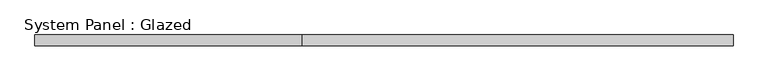
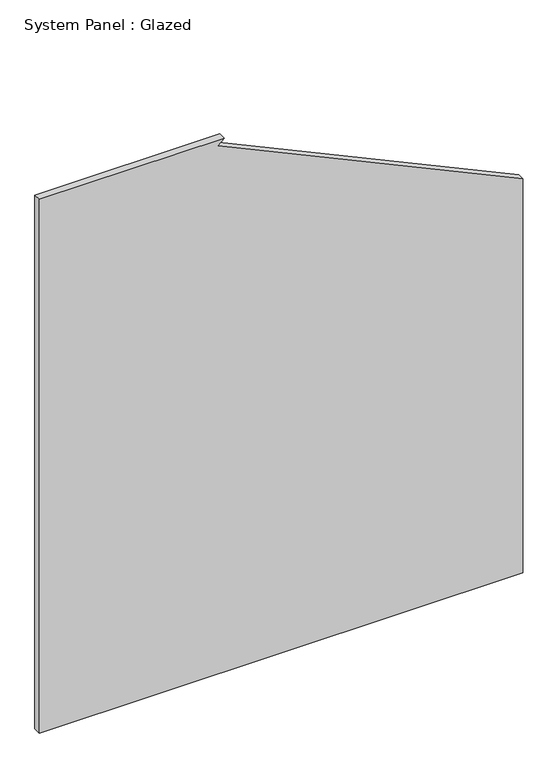
"""IFC4 building model written with IfcOpenShell, lengths in millimetres: plate geometry, System Panel : Glazed."""

import ifcopenshell
import ifcopenshell.guid

model = None  # the IFC model being written
_history = None  # IfcOwnerHistory: only IFC2X3 demands one
_inside = {}  # id of a spatial element -> (the spatial element, [elements in it])
_under = {}  # id of a project, library or spatial element -> (it, [spatial elements below it])
_declared = {}  # id of a project -> (the project, [libraries it declares])
_typed = {}  # id of a type object -> (the type object, [elements of that type])
_made_of = {}  # id of a material, layer set ... -> (it, [elements and type objects made of it])


def new_model(schema):
    """Start an empty IFC model of exactly this schema.

    Asked for "IFC4X3", IfcOpenShell would pick the latest addendum, in which some entities
    have other attributes; the version numbers below select the first issue.
    IFC2X3 requires an IfcOwnerHistory on every rooted entity: one is made here for all.
    """
    global model, _history
    if schema == "IFC4X3":
        model = ifcopenshell.file(schema_version=(4, 3, 0, 0))
    else:
        model = ifcopenshell.file(schema=schema)
    _inside.clear()
    _under.clear()
    _declared.clear()
    _typed.clear()
    _made_of.clear()
    _history = None
    if model.schema == "IFC2X3":
        org = make("IfcOrganization", Name="unknown")
        user = make(
            "IfcPersonAndOrganization",
            ThePerson=make("IfcPerson", FamilyName="unknown"),
            TheOrganization=org,
        )
        app = make(
            "IfcApplication",
            ApplicationDeveloper=org,
            Version="unknown",
            ApplicationFullName="unknown",
            ApplicationIdentifier="unknown",
        )
        _history = make(
            "IfcOwnerHistory",
            OwningUser=user,
            OwningApplication=app,
            ChangeAction="ADDED",
            CreationDate=0,
        )
    return model


def make(cls, **values):
    """One entity of the class cls with the attributes given. An attribute that is None is left unset."""
    return model.create_entity(
        cls, **{name: value for name, value in values.items() if value is not None}
    )


def rooted(cls, **values):
    """An entity with a GlobalId (a new one), such as an element, a storey or a relation."""
    return make(cls, GlobalId=ifcopenshell.guid.new(), OwnerHistory=_history, **values)


def si_unit(unit_type, name, prefix=None):
    """IfcSIUnit, for example si_unit("LENGTHUNIT", "METRE", prefix="MILLI")."""
    return make("IfcSIUnit", UnitType=unit_type, Prefix=prefix, Name=name)


def assignment(units):
    """IfcUnitAssignment: the units of a project."""
    return None if units is None else make("IfcUnitAssignment", Units=units)


def point(xyz):
    """IfcCartesianPoint."""
    return None if xyz is None else make("IfcCartesianPoint", Coordinates=xyz)


def direction(xyz):
    """IfcDirection."""
    return None if xyz is None else make("IfcDirection", DirectionRatios=xyz)


def frame(location, z_axis=None, x_axis=None):
    """IfcAxis2Placement3D, a coordinate frame: its origin and axes. An axis left out is left unset."""
    return make(
        "IfcAxis2Placement3D",
        Location=point(location),
        Axis=direction(z_axis),
        RefDirection=direction(x_axis),
    )


def origin():
    """The frame at (0, 0, 0) with its axes left unset."""
    return frame((0.0, 0.0, 0.0))


def place(relative_to, where):
    """IfcLocalPlacement: puts the frame where relative to a parent placement (None: the world)."""
    return make(
        "IfcLocalPlacement", PlacementRelTo=relative_to, RelativePlacement=where
    )


def context(
    kind, dimensions, precision=None, world=None, true_north=None, identifier=None
):
    """IfcGeometricRepresentationContext, for example the 3D "Model" context."""
    return make(
        "IfcGeometricRepresentationContext",
        ContextIdentifier=identifier,
        ContextType=kind,
        CoordinateSpaceDimension=dimensions,
        Precision=precision,
        WorldCoordinateSystem=world,
        TrueNorth=true_north,
    )


def project(units=None, contexts=None):
    """IfcProject with its units and contexts."""
    return rooted(
        "IfcProject",
        Name="project",
        RepresentationContexts=contexts,
        UnitsInContext=assignment(units),
    )


def spatial(cls, under=None, at=None, **own):
    """A site, building, storey or space (cls), placed at a placement, below another one or the project."""
    s = rooted(cls, ObjectPlacement=at, **own)
    if under is not None:
        _under.setdefault(under.id(), (under, []))[1].append(s)
    return s


def polyline(points):
    """IfcPolyline through the points."""
    return make("IfcPolyline", Points=[point(p) for p in points])


def outline(outer, holes=None, kind="AREA"):
    """IfcArbitraryClosedProfileDef: a profile drawn as a closed curve; with holes, ...WithVoids."""
    if holes is None:
        return make("IfcArbitraryClosedProfileDef", ProfileType=kind, OuterCurve=outer)
    return make(
        "IfcArbitraryProfileDefWithVoids",
        ProfileType=kind,
        OuterCurve=outer,
        InnerCurves=holes,
    )


def extrude(swept, where, along, depth):
    """IfcExtrudedAreaSolid: the profile swept, set in the frame where, extruded along a direction by depth."""
    return make(
        "IfcExtrudedAreaSolid",
        SweptArea=swept,
        Position=where,
        ExtrudedDirection=direction(along),
        Depth=depth,
    )


def shape(context_of_items, identifier, shape_type, items):
    """IfcShapeRepresentation: the items that make up one representation, for example the "Body"."""
    return make(
        "IfcShapeRepresentation",
        ContextOfItems=context_of_items,
        RepresentationIdentifier=identifier,
        RepresentationType=shape_type,
        Items=items,
    )


def source(mapping_origin, context_of_items, identifier, shape_type, items):
    """IfcRepresentationMap: a shape defined once, which mapped items show again and again."""
    return make(
        "IfcRepresentationMap",
        MappingOrigin=mapping_origin,
        MappedRepresentation=shape(context_of_items, identifier, shape_type, items),
    )


def transform(
    local_origin,
    x_axis=None,
    y_axis=None,
    z_axis=None,
    scale=None,
    scale2=None,
    scale3=None,
    uniform=True,
):
    """IfcCartesianTransformationOperator3D, or its non-uniform kind. x_axis, y_axis, z_axis: its Axis1, 2, 3."""
    if uniform:
        return make(
            "IfcCartesianTransformationOperator3D",
            Axis1=direction(x_axis),
            Axis2=direction(y_axis),
            LocalOrigin=point(local_origin),
            Scale=scale,
            Axis3=direction(z_axis),
        )
    return make(
        "IfcCartesianTransformationOperator3DnonUniform",
        Axis1=direction(x_axis),
        Axis2=direction(y_axis),
        LocalOrigin=point(local_origin),
        Scale=scale,
        Axis3=direction(z_axis),
        Scale2=scale2,
        Scale3=scale3,
    )


def mapped(mapping_source, mapping_target):
    """IfcMappedItem: shows the shape of a source again, moved by a transform."""
    return make(
        "IfcMappedItem", MappingSource=mapping_source, MappingTarget=mapping_target
    )


def made_of(thing, what):
    """Note that an element or type object is made of a material, layer set ...; save() writes the relation."""
    if what is not None:
        _made_of.setdefault(what.id(), (what, []))[1].append(thing)
    return thing


def element(
    cls,
    number,
    at=None,
    inside=None,
    cuts=None,
    type_object=None,
    material=None,
    context=None,
    identifier="Body",
    shape_type=None,
    held_by="IfcProductDefinitionShape",
    body=None,
    shapes=None,
    **own,
):
    """One element of the class cls, such as IfcWall. Its Tag is "e" and its number.

    at: its placement. inside: the storey or other place that contains it. cuts: it is an
    opening in that element (IfcRelVoidsElement). A single representation is given by context,
    identifier, shape_type and body (its items); several are given by shapes. held_by: the class
    of the entity that holds the representations. save() writes the other relations.
    """
    e = rooted(cls, Tag="e%d" % number, ObjectPlacement=at, **own)
    if body is not None:
        shapes = [shape(context, identifier, shape_type, body)]
    if shapes is not None:
        e.Representation = make(held_by, Representations=shapes)
    if inside is not None:
        _inside.setdefault(inside.id(), (inside, []))[1].append(e)
    if cuts is not None:
        rooted(
            "IfcRelVoidsElement", RelatingBuildingElement=cuts, RelatedOpeningElement=e
        )
    if type_object is not None:
        _typed.setdefault(type_object.id(), (type_object, []))[1].append(e)
    return made_of(e, material)


def aggregate(whole, parts):
    """IfcRelAggregates: a whole, such as a stair, and the parts it consists of."""
    return rooted("IfcRelAggregates", RelatingObject=whole, RelatedObjects=parts)


def save(model, path):
    """Write the relations noted so far, then the file.

    IfcRelAggregates (storeys below a building ...), IfcRelContainedInSpatialStructure (elements
    in a storey), IfcRelDefinesByType, IfcRelAssociatesMaterial and IfcRelDeclares: one each for
    every whole, place, type object, material and project.
    """
    for whole, parts in _under.values():
        aggregate(whole, parts)
    for where, things in _inside.values():
        rooted(
            "IfcRelContainedInSpatialStructure",
            RelatedElements=things,
            RelatingStructure=where,
        )
    for kind, things in _typed.values():
        rooted("IfcRelDefinesByType", RelatedObjects=things, RelatingType=kind)
    for what, things in _made_of.values():
        rooted("IfcRelAssociatesMaterial", RelatedObjects=things, RelatingMaterial=what)
    for by, libraries in _declared.values():
        rooted("IfcRelDeclares", RelatingContext=by, RelatedDefinitions=libraries)
    model.write(path)


def system_panel_glazed_d0e31341(model_context):
    return source(origin(), model_context, "Body", "SweptSolid", [
        extrude(outline(polyline([(0.0, -808.6842105), (0.0, 808.6842105), (1393.0728728, 808.6842105), (1866.3095433, -211.4416381), (1886.6666667, -190.4004557), (1886.6666667, -808.6842105), (0.0, -808.6842105)])), frame((0.0, 52.5, 0.0), z_axis=(0.0, 1.0, 0.0), x_axis=(0.0, 0.0, 1.0)), (0.0, 0.0, 1.0), 25.0),
    ])


if __name__ == "__main__":
    model = new_model("IFC4")
    model_context = context("Model", 3, world=origin())
    ifc_project = project(units=[si_unit("LENGTHUNIT", "METRE", prefix="MILLI")], contexts=[model_context])
    site = spatial("IfcSite", under=ifc_project)
    building = spatial("IfcBuilding", under=site)
    placement = place(None, origin())
    system_panel_glazed_shape = system_panel_glazed_d0e31341(model_context)
    element("IfcPlate", 1, ObjectType="System Panel : Glazed", at=placement, inside=building, context=model_context, shape_type="MappedRepresentation", body=[
        mapped(system_panel_glazed_shape, transform((0.0, 0.0, 0.0), x_axis=(1.0, 0.0, 0.0), y_axis=(0.0, 1.0, 0.0), z_axis=(0.0, 0.0, 1.0))),
    ])
    save(model, "model.ifc")
